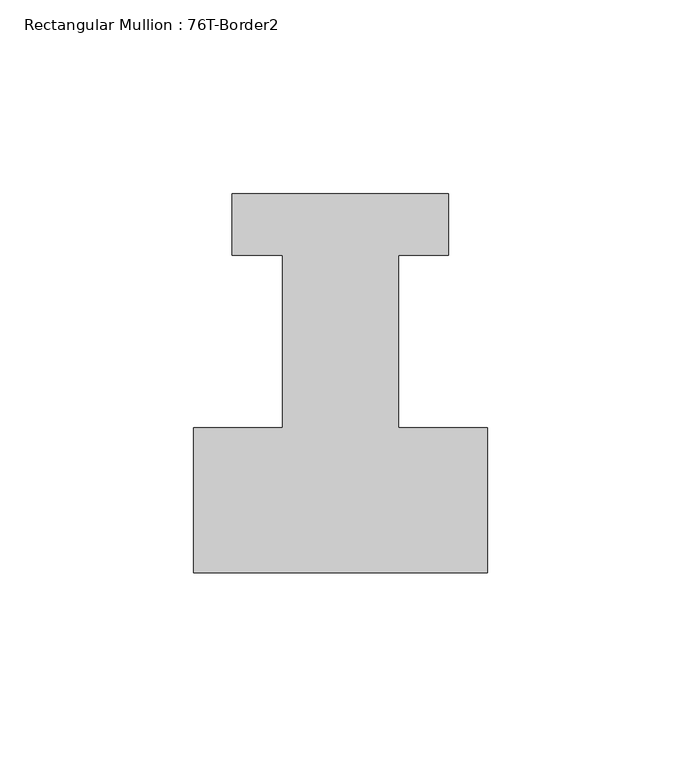
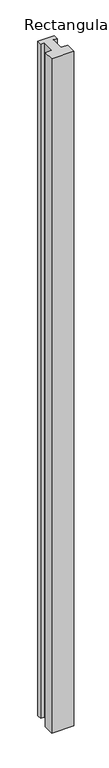
"""IFC4 building model written with IfcOpenShell, lengths in millimetres: member geometry, Rectangular Mullion : 76T-Border2."""

from ifc_helpers import new_model, si_unit, frame, origin, place, context, project, spatial, polyline, outline, extrude, source, transform, mapped, element, save


def rectangular_mullion_76t_border2_6701eb4f(model_context):
    return source(origin(), model_context, "Body", "SweptSolid", [
        extrude(outline(polyline([(0.0, -38.0), (-76.0, -38.0), (-76.0, -0.5), (-53.0, -0.5), (-53.0, 44.0), (-66.0, 44.0), (-66.0, 60.0), (-10.0, 60.0), (-10.0, 44.0), (-23.0, 44.0), (-23.0, -0.5), (0.0, -0.5), (0.0, -38.0)])), frame((0.0, 0.0, -2424.0), z_axis=(0.0, 0.0, 1.0), x_axis=(1.0, 0.0, 0.0)), (0.0, 0.0, 1.0), 2424.0),
    ])


if __name__ == "__main__":
    model = new_model("IFC4")
    model_context = context("Model", 3, world=origin())
    ifc_project = project(units=[si_unit("LENGTHUNIT", "METRE", prefix="MILLI")], contexts=[model_context])
    site = spatial("IfcSite", under=ifc_project)
    building = spatial("IfcBuilding", under=site)
    placement = place(None, origin())
    rectangular_mullion_76t_border2_shape = rectangular_mullion_76t_border2_6701eb4f(model_context)
    element("IfcMember", 1, ObjectType="Rectangular Mullion : 76T-Border2", at=placement, inside=building, context=model_context, shape_type="MappedRepresentation", body=[
        mapped(rectangular_mullion_76t_border2_shape, transform((0.0, 0.0, 0.0), x_axis=(1.0, 0.0, 0.0), y_axis=(0.0, 1.0, 0.0), z_axis=(0.0, 0.0, 1.0))),
    ])
    save(model, "model.ifc")
